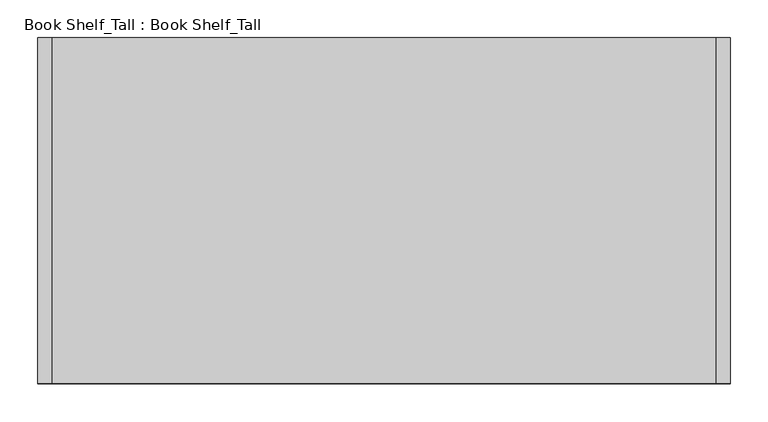
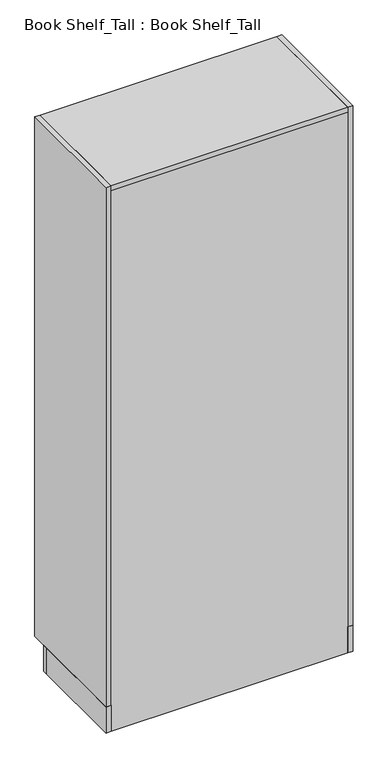
"""IFC4 building model written with IfcOpenShell, lengths in millimetres: furniture geometry, Book Shelf_Tall : Book Shelf_Tall."""

import ifcopenshell
import ifcopenshell.guid

model = None  # the IFC model being written
_history = None  # IfcOwnerHistory: only IFC2X3 demands one
_inside = {}  # id of a spatial element -> (the spatial element, [elements in it])
_under = {}  # id of a project, library or spatial element -> (it, [spatial elements below it])
_declared = {}  # id of a project -> (the project, [libraries it declares])
_typed = {}  # id of a type object -> (the type object, [elements of that type])
_made_of = {}  # id of a material, layer set ... -> (it, [elements and type objects made of it])


def new_model(schema):
    """Start an empty IFC model of exactly this schema.

    Asked for "IFC4X3", IfcOpenShell would pick the latest addendum, in which some entities
    have other attributes; the version numbers below select the first issue.
    IFC2X3 requires an IfcOwnerHistory on every rooted entity: one is made here for all.
    """
    global model, _history
    if schema == "IFC4X3":
        model = ifcopenshell.file(schema_version=(4, 3, 0, 0))
    else:
        model = ifcopenshell.file(schema=schema)
    _inside.clear()
    _under.clear()
    _declared.clear()
    _typed.clear()
    _made_of.clear()
    _history = None
    if model.schema == "IFC2X3":
        org = make("IfcOrganization", Name="unknown")
        user = make(
            "IfcPersonAndOrganization",
            ThePerson=make("IfcPerson", FamilyName="unknown"),
            TheOrganization=org,
        )
        app = make(
            "IfcApplication",
            ApplicationDeveloper=org,
            Version="unknown",
            ApplicationFullName="unknown",
            ApplicationIdentifier="unknown",
        )
        _history = make(
            "IfcOwnerHistory",
            OwningUser=user,
            OwningApplication=app,
            ChangeAction="ADDED",
            CreationDate=0,
        )
    return model


def make(cls, **values):
    """One entity of the class cls with the attributes given. An attribute that is None is left unset."""
    return model.create_entity(
        cls, **{name: value for name, value in values.items() if value is not None}
    )


def rooted(cls, **values):
    """An entity with a GlobalId (a new one), such as an element, a storey or a relation."""
    return make(cls, GlobalId=ifcopenshell.guid.new(), OwnerHistory=_history, **values)


def si_unit(unit_type, name, prefix=None):
    """IfcSIUnit, for example si_unit("LENGTHUNIT", "METRE", prefix="MILLI")."""
    return make("IfcSIUnit", UnitType=unit_type, Prefix=prefix, Name=name)


def assignment(units):
    """IfcUnitAssignment: the units of a project."""
    return None if units is None else make("IfcUnitAssignment", Units=units)


def point(xyz):
    """IfcCartesianPoint."""
    return None if xyz is None else make("IfcCartesianPoint", Coordinates=xyz)


def direction(xyz):
    """IfcDirection."""
    return None if xyz is None else make("IfcDirection", DirectionRatios=xyz)


def frame(location, z_axis=None, x_axis=None):
    """IfcAxis2Placement3D, a coordinate frame: its origin and axes. An axis left out is left unset."""
    return make(
        "IfcAxis2Placement3D",
        Location=point(location),
        Axis=direction(z_axis),
        RefDirection=direction(x_axis),
    )


def origin():
    """The frame at (0, 0, 0) with its axes left unset."""
    return frame((0.0, 0.0, 0.0))


def origin_with_axes():
    """The frame at (0, 0, 0) with the z axis (0, 0, 1) and the x axis (1, 0, 0) written out."""
    return frame((0.0, 0.0, 0.0), z_axis=(0.0, 0.0, 1.0), x_axis=(1.0, 0.0, 0.0))


def place(relative_to, where):
    """IfcLocalPlacement: puts the frame where relative to a parent placement (None: the world)."""
    return make(
        "IfcLocalPlacement", PlacementRelTo=relative_to, RelativePlacement=where
    )


def context(
    kind, dimensions, precision=None, world=None, true_north=None, identifier=None
):
    """IfcGeometricRepresentationContext, for example the 3D "Model" context."""
    return make(
        "IfcGeometricRepresentationContext",
        ContextIdentifier=identifier,
        ContextType=kind,
        CoordinateSpaceDimension=dimensions,
        Precision=precision,
        WorldCoordinateSystem=world,
        TrueNorth=true_north,
    )


def project(units=None, contexts=None):
    """IfcProject with its units and contexts."""
    return rooted(
        "IfcProject",
        Name="project",
        RepresentationContexts=contexts,
        UnitsInContext=assignment(units),
    )


def spatial(cls, under=None, at=None, **own):
    """A site, building, storey or space (cls), placed at a placement, below another one or the project."""
    s = rooted(cls, ObjectPlacement=at, **own)
    if under is not None:
        _under.setdefault(under.id(), (under, []))[1].append(s)
    return s


def polyline(points):
    """IfcPolyline through the points."""
    return make("IfcPolyline", Points=[point(p) for p in points])


def outline(outer, holes=None, kind="AREA"):
    """IfcArbitraryClosedProfileDef: a profile drawn as a closed curve; with holes, ...WithVoids."""
    if holes is None:
        return make("IfcArbitraryClosedProfileDef", ProfileType=kind, OuterCurve=outer)
    return make(
        "IfcArbitraryProfileDefWithVoids",
        ProfileType=kind,
        OuterCurve=outer,
        InnerCurves=holes,
    )


def extrude(swept, where, along, depth):
    """IfcExtrudedAreaSolid: the profile swept, set in the frame where, extruded along a direction by depth."""
    return make(
        "IfcExtrudedAreaSolid",
        SweptArea=swept,
        Position=where,
        ExtrudedDirection=direction(along),
        Depth=depth,
    )


def shape(context_of_items, identifier, shape_type, items):
    """IfcShapeRepresentation: the items that make up one representation, for example the "Body"."""
    return make(
        "IfcShapeRepresentation",
        ContextOfItems=context_of_items,
        RepresentationIdentifier=identifier,
        RepresentationType=shape_type,
        Items=items,
    )


def source(mapping_origin, context_of_items, identifier, shape_type, items):
    """IfcRepresentationMap: a shape defined once, which mapped items show again and again."""
    return make(
        "IfcRepresentationMap",
        MappingOrigin=mapping_origin,
        MappedRepresentation=shape(context_of_items, identifier, shape_type, items),
    )


def transform(
    local_origin,
    x_axis=None,
    y_axis=None,
    z_axis=None,
    scale=None,
    scale2=None,
    scale3=None,
    uniform=True,
):
    """IfcCartesianTransformationOperator3D, or its non-uniform kind. x_axis, y_axis, z_axis: its Axis1, 2, 3."""
    if uniform:
        return make(
            "IfcCartesianTransformationOperator3D",
            Axis1=direction(x_axis),
            Axis2=direction(y_axis),
            LocalOrigin=point(local_origin),
            Scale=scale,
            Axis3=direction(z_axis),
        )
    return make(
        "IfcCartesianTransformationOperator3DnonUniform",
        Axis1=direction(x_axis),
        Axis2=direction(y_axis),
        LocalOrigin=point(local_origin),
        Scale=scale,
        Axis3=direction(z_axis),
        Scale2=scale2,
        Scale3=scale3,
    )


def mapped(mapping_source, mapping_target):
    """IfcMappedItem: shows the shape of a source again, moved by a transform."""
    return make(
        "IfcMappedItem", MappingSource=mapping_source, MappingTarget=mapping_target
    )


def made_of(thing, what):
    """Note that an element or type object is made of a material, layer set ...; save() writes the relation."""
    if what is not None:
        _made_of.setdefault(what.id(), (what, []))[1].append(thing)
    return thing


def element(
    cls,
    number,
    at=None,
    inside=None,
    cuts=None,
    type_object=None,
    material=None,
    context=None,
    identifier="Body",
    shape_type=None,
    held_by="IfcProductDefinitionShape",
    body=None,
    shapes=None,
    **own,
):
    """One element of the class cls, such as IfcWall. Its Tag is "e" and its number.

    at: its placement. inside: the storey or other place that contains it. cuts: it is an
    opening in that element (IfcRelVoidsElement). A single representation is given by context,
    identifier, shape_type and body (its items); several are given by shapes. held_by: the class
    of the entity that holds the representations. save() writes the other relations.
    """
    e = rooted(cls, Tag="e%d" % number, ObjectPlacement=at, **own)
    if body is not None:
        shapes = [shape(context, identifier, shape_type, body)]
    if shapes is not None:
        e.Representation = make(held_by, Representations=shapes)
    if inside is not None:
        _inside.setdefault(inside.id(), (inside, []))[1].append(e)
    if cuts is not None:
        rooted(
            "IfcRelVoidsElement", RelatingBuildingElement=cuts, RelatedOpeningElement=e
        )
    if type_object is not None:
        _typed.setdefault(type_object.id(), (type_object, []))[1].append(e)
    return made_of(e, material)


def aggregate(whole, parts):
    """IfcRelAggregates: a whole, such as a stair, and the parts it consists of."""
    return rooted("IfcRelAggregates", RelatingObject=whole, RelatedObjects=parts)


def save(model, path):
    """Write the relations noted so far, then the file.

    IfcRelAggregates (storeys below a building ...), IfcRelContainedInSpatialStructure (elements
    in a storey), IfcRelDefinesByType, IfcRelAssociatesMaterial and IfcRelDeclares: one each for
    every whole, place, type object, material and project.
    """
    for whole, parts in _under.values():
        aggregate(whole, parts)
    for where, things in _inside.values():
        rooted(
            "IfcRelContainedInSpatialStructure",
            RelatedElements=things,
            RelatingStructure=where,
        )
    for kind, things in _typed.values():
        rooted("IfcRelDefinesByType", RelatedObjects=things, RelatingType=kind)
    for what, things in _made_of.values():
        rooted("IfcRelAssociatesMaterial", RelatedObjects=things, RelatingMaterial=what)
    for by, libraries in _declared.values():
        rooted("IfcRelDeclares", RelatingContext=by, RelatedDefinitions=libraries)
    model.write(path)


def book_shelf_tall_book_shelf_tall_66533cdf(model_context):
    return source(origin(), model_context, "Body", "SweptSolid", [
        extrude(outline(polyline([(332.390969, 381.0), (351.440969, 381.0), (351.440969, 0.0), (332.390969, 0.0), (332.390969, 381.0)])), origin_with_axes(), (0.0, 0.0, 1.0), 101.6),
        extrude(outline(polyline([(-562.959031, 381.0), (-543.909031, 381.0), (-543.909031, 0.0), (-562.959031, 0.0), (-562.959031, 381.0)])), origin_with_axes(), (0.0, 0.0, 1.0), 101.6),
        extrude(outline(polyline([(332.390969, 19.05), (-543.909031, 19.05), (-543.909031, 457.2), (332.390969, 457.2), (332.390969, 19.05)])), frame((0.0, 0.0, 1611.3125), z_axis=(0.0, 0.0, 1.0), x_axis=(1.0, 0.0, 0.0)), (0.0, 0.0, 1.0), 19.05),
        extrude(outline(polyline([(332.390969, 19.05), (-543.909031, 19.05), (-543.909031, 457.2), (332.390969, 457.2), (332.390969, 19.05)])), frame((0.0, 0.0, 1108.075), z_axis=(0.0, 0.0, 1.0), x_axis=(1.0, 0.0, 0.0)), (0.0, 0.0, 1.0), 19.05),
        extrude(outline(polyline([(332.390969, 19.05), (-543.909031, 19.05), (-543.909031, 457.2), (332.390969, 457.2), (332.390969, 19.05)])), frame((0.0, 0.0, 604.8375), z_axis=(0.0, 0.0, 1.0), x_axis=(1.0, 0.0, 0.0)), (0.0, 0.0, 1.0), 19.05),
        extrude(outline(polyline([(332.390969, 19.05), (-543.909031, 19.05), (-543.909031, 457.2), (332.390969, 457.2), (332.390969, 19.05)])), frame((0.0, 0.0, 101.6), z_axis=(0.0, 0.0, 1.0), x_axis=(1.0, 0.0, 0.0)), (0.0, 0.0, 1.0), 19.05),
        extrude(outline(polyline([(332.390969, 19.05), (332.390969, 0.0), (-543.909031, 0.0), (-543.909031, 19.05), (332.390969, 19.05)])), origin_with_axes(), (0.0, 0.0, 1.0), 2114.55),
        extrude(outline(polyline([(332.390969, 0.0), (-543.909031, 0.0), (-543.909031, 457.2), (332.390969, 457.2), (332.390969, 0.0)])), frame((0.0, 0.0, 2114.55), z_axis=(0.0, 0.0, 1.0), x_axis=(1.0, 0.0, 0.0)), (0.0, 0.0, 1.0), 19.05),
        extrude(outline(polyline([(332.390969, 457.2), (351.440969, 457.2), (351.440969, 0.0), (332.390969, 0.0), (332.390969, 457.2)])), frame((0.0, 0.0, 101.6), z_axis=(0.0, 0.0, 1.0), x_axis=(1.0, 0.0, 0.0)), (0.0, 0.0, 1.0), 2032.0),
        extrude(outline(polyline([(-562.959031, 457.2), (-543.909031, 457.2), (-543.909031, 0.0), (-562.959031, 0.0), (-562.959031, 457.2)])), frame((0.0, 0.0, 101.6), z_axis=(0.0, 0.0, 1.0), x_axis=(1.0, 0.0, 0.0)), (0.0, 0.0, 1.0), 2032.0),
        extrude(outline(polyline([(-562.959031, 400.05), (351.440969, 400.05), (351.440969, 381.0), (-562.959031, 381.0), (-562.959031, 400.05)])), origin_with_axes(), (0.0, 0.0, 1.0), 101.6),
    ])


if __name__ == "__main__":
    model = new_model("IFC4")
    model_context = context("Model", 3, world=origin())
    ifc_project = project(units=[si_unit("LENGTHUNIT", "METRE", prefix="MILLI")], contexts=[model_context])
    site = spatial("IfcSite", under=ifc_project)
    building = spatial("IfcBuilding", under=site)
    placement = place(None, origin())
    book_shelf_tall_book_shelf_tall_shape = book_shelf_tall_book_shelf_tall_66533cdf(model_context)
    element("IfcFurniture", 1, ObjectType="Book Shelf_Tall : Book Shelf_Tall", at=placement, inside=building, context=model_context, shape_type="MappedRepresentation", body=[
        mapped(book_shelf_tall_book_shelf_tall_shape, transform((0.0, 0.0, 0.0), x_axis=(1.0, 0.0, 0.0), y_axis=(0.0, 1.0, 0.0), z_axis=(0.0, 0.0, 1.0))),
    ])
    save(model, "model.ifc")
